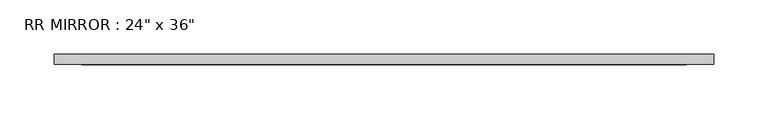
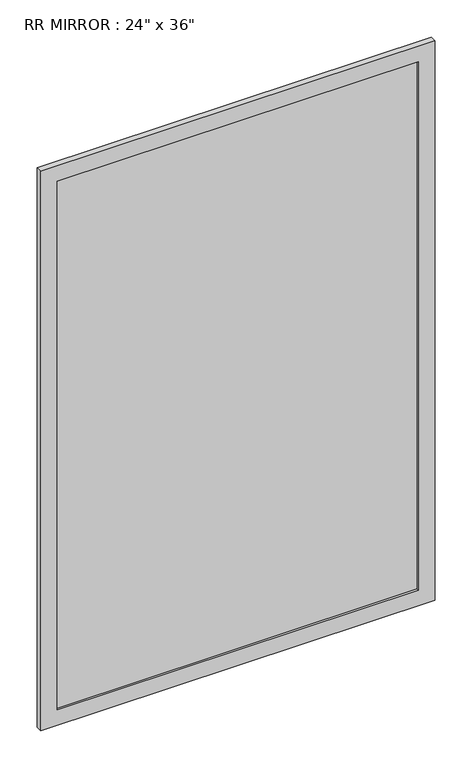
"""IFC4 building model written with IfcOpenShell, lengths in millimetres: proxy geometry."""

import ifcopenshell
import ifcopenshell.guid

model = None  # the IFC model being written
_history = None  # IfcOwnerHistory: only IFC2X3 demands one
_inside = {}  # id of a spatial element -> (the spatial element, [elements in it])
_under = {}  # id of a project, library or spatial element -> (it, [spatial elements below it])
_declared = {}  # id of a project -> (the project, [libraries it declares])
_typed = {}  # id of a type object -> (the type object, [elements of that type])
_made_of = {}  # id of a material, layer set ... -> (it, [elements and type objects made of it])


def new_model(schema):
    """Start an empty IFC model of exactly this schema.

    Asked for "IFC4X3", IfcOpenShell would pick the latest addendum, in which some entities
    have other attributes; the version numbers below select the first issue.
    IFC2X3 requires an IfcOwnerHistory on every rooted entity: one is made here for all.
    """
    global model, _history
    if schema == "IFC4X3":
        model = ifcopenshell.file(schema_version=(4, 3, 0, 0))
    else:
        model = ifcopenshell.file(schema=schema)
    _inside.clear()
    _under.clear()
    _declared.clear()
    _typed.clear()
    _made_of.clear()
    _history = None
    if model.schema == "IFC2X3":
        org = make("IfcOrganization", Name="unknown")
        user = make(
            "IfcPersonAndOrganization",
            ThePerson=make("IfcPerson", FamilyName="unknown"),
            TheOrganization=org,
        )
        app = make(
            "IfcApplication",
            ApplicationDeveloper=org,
            Version="unknown",
            ApplicationFullName="unknown",
            ApplicationIdentifier="unknown",
        )
        _history = make(
            "IfcOwnerHistory",
            OwningUser=user,
            OwningApplication=app,
            ChangeAction="ADDED",
            CreationDate=0,
        )
    return model


def make(cls, **values):
    """One entity of the class cls with the attributes given. An attribute that is None is left unset."""
    return model.create_entity(
        cls, **{name: value for name, value in values.items() if value is not None}
    )


def rooted(cls, **values):
    """An entity with a GlobalId (a new one), such as an element, a storey or a relation."""
    return make(cls, GlobalId=ifcopenshell.guid.new(), OwnerHistory=_history, **values)


def si_unit(unit_type, name, prefix=None):
    """IfcSIUnit, for example si_unit("LENGTHUNIT", "METRE", prefix="MILLI")."""
    return make("IfcSIUnit", UnitType=unit_type, Prefix=prefix, Name=name)


def assignment(units):
    """IfcUnitAssignment: the units of a project."""
    return None if units is None else make("IfcUnitAssignment", Units=units)


def point(xyz):
    """IfcCartesianPoint."""
    return None if xyz is None else make("IfcCartesianPoint", Coordinates=xyz)


def direction(xyz):
    """IfcDirection."""
    return None if xyz is None else make("IfcDirection", DirectionRatios=xyz)


def frame(location, z_axis=None, x_axis=None):
    """IfcAxis2Placement3D, a coordinate frame: its origin and axes. An axis left out is left unset."""
    return make(
        "IfcAxis2Placement3D",
        Location=point(location),
        Axis=direction(z_axis),
        RefDirection=direction(x_axis),
    )


def origin():
    """The frame at (0, 0, 0) with its axes left unset."""
    return frame((0.0, 0.0, 0.0))


def place(relative_to, where):
    """IfcLocalPlacement: puts the frame where relative to a parent placement (None: the world)."""
    return make(
        "IfcLocalPlacement", PlacementRelTo=relative_to, RelativePlacement=where
    )


def context(
    kind, dimensions, precision=None, world=None, true_north=None, identifier=None
):
    """IfcGeometricRepresentationContext, for example the 3D "Model" context."""
    return make(
        "IfcGeometricRepresentationContext",
        ContextIdentifier=identifier,
        ContextType=kind,
        CoordinateSpaceDimension=dimensions,
        Precision=precision,
        WorldCoordinateSystem=world,
        TrueNorth=true_north,
    )


def project(units=None, contexts=None):
    """IfcProject with its units and contexts."""
    return rooted(
        "IfcProject",
        Name="project",
        RepresentationContexts=contexts,
        UnitsInContext=assignment(units),
    )


def spatial(cls, under=None, at=None, **own):
    """A site, building, storey or space (cls), placed at a placement, below another one or the project."""
    s = rooted(cls, ObjectPlacement=at, **own)
    if under is not None:
        _under.setdefault(under.id(), (under, []))[1].append(s)
    return s


def polyline(points):
    """IfcPolyline through the points."""
    return make("IfcPolyline", Points=[point(p) for p in points])


def outline(outer, holes=None, kind="AREA"):
    """IfcArbitraryClosedProfileDef: a profile drawn as a closed curve; with holes, ...WithVoids."""
    if holes is None:
        return make("IfcArbitraryClosedProfileDef", ProfileType=kind, OuterCurve=outer)
    return make(
        "IfcArbitraryProfileDefWithVoids",
        ProfileType=kind,
        OuterCurve=outer,
        InnerCurves=holes,
    )


def extrude(swept, where, along, depth):
    """IfcExtrudedAreaSolid: the profile swept, set in the frame where, extruded along a direction by depth."""
    return make(
        "IfcExtrudedAreaSolid",
        SweptArea=swept,
        Position=where,
        ExtrudedDirection=direction(along),
        Depth=depth,
    )


def shape(context_of_items, identifier, shape_type, items):
    """IfcShapeRepresentation: the items that make up one representation, for example the "Body"."""
    return make(
        "IfcShapeRepresentation",
        ContextOfItems=context_of_items,
        RepresentationIdentifier=identifier,
        RepresentationType=shape_type,
        Items=items,
    )


def source(mapping_origin, context_of_items, identifier, shape_type, items):
    """IfcRepresentationMap: a shape defined once, which mapped items show again and again."""
    return make(
        "IfcRepresentationMap",
        MappingOrigin=mapping_origin,
        MappedRepresentation=shape(context_of_items, identifier, shape_type, items),
    )


def transform(
    local_origin,
    x_axis=None,
    y_axis=None,
    z_axis=None,
    scale=None,
    scale2=None,
    scale3=None,
    uniform=True,
):
    """IfcCartesianTransformationOperator3D, or its non-uniform kind. x_axis, y_axis, z_axis: its Axis1, 2, 3."""
    if uniform:
        return make(
            "IfcCartesianTransformationOperator3D",
            Axis1=direction(x_axis),
            Axis2=direction(y_axis),
            LocalOrigin=point(local_origin),
            Scale=scale,
            Axis3=direction(z_axis),
        )
    return make(
        "IfcCartesianTransformationOperator3DnonUniform",
        Axis1=direction(x_axis),
        Axis2=direction(y_axis),
        LocalOrigin=point(local_origin),
        Scale=scale,
        Axis3=direction(z_axis),
        Scale2=scale2,
        Scale3=scale3,
    )


def mapped(mapping_source, mapping_target):
    """IfcMappedItem: shows the shape of a source again, moved by a transform."""
    return make(
        "IfcMappedItem", MappingSource=mapping_source, MappingTarget=mapping_target
    )


def made_of(thing, what):
    """Note that an element or type object is made of a material, layer set ...; save() writes the relation."""
    if what is not None:
        _made_of.setdefault(what.id(), (what, []))[1].append(thing)
    return thing


def element(
    cls,
    number,
    at=None,
    inside=None,
    cuts=None,
    type_object=None,
    material=None,
    context=None,
    identifier="Body",
    shape_type=None,
    held_by="IfcProductDefinitionShape",
    body=None,
    shapes=None,
    **own,
):
    """One element of the class cls, such as IfcWall. Its Tag is "e" and its number.

    at: its placement. inside: the storey or other place that contains it. cuts: it is an
    opening in that element (IfcRelVoidsElement). A single representation is given by context,
    identifier, shape_type and body (its items); several are given by shapes. held_by: the class
    of the entity that holds the representations. save() writes the other relations.
    """
    e = rooted(cls, Tag="e%d" % number, ObjectPlacement=at, **own)
    if body is not None:
        shapes = [shape(context, identifier, shape_type, body)]
    if shapes is not None:
        e.Representation = make(held_by, Representations=shapes)
    if inside is not None:
        _inside.setdefault(inside.id(), (inside, []))[1].append(e)
    if cuts is not None:
        rooted(
            "IfcRelVoidsElement", RelatingBuildingElement=cuts, RelatedOpeningElement=e
        )
    if type_object is not None:
        _typed.setdefault(type_object.id(), (type_object, []))[1].append(e)
    return made_of(e, material)


def aggregate(whole, parts):
    """IfcRelAggregates: a whole, such as a stair, and the parts it consists of."""
    return rooted("IfcRelAggregates", RelatingObject=whole, RelatedObjects=parts)


def save(model, path):
    """Write the relations noted so far, then the file.

    IfcRelAggregates (storeys below a building ...), IfcRelContainedInSpatialStructure (elements
    in a storey), IfcRelDefinesByType, IfcRelAssociatesMaterial and IfcRelDeclares: one each for
    every whole, place, type object, material and project.
    """
    for whole, parts in _under.values():
        aggregate(whole, parts)
    for where, things in _inside.values():
        rooted(
            "IfcRelContainedInSpatialStructure",
            RelatedElements=things,
            RelatingStructure=where,
        )
    for kind, things in _typed.values():
        rooted("IfcRelDefinesByType", RelatedObjects=things, RelatingType=kind)
    for what, things in _made_of.values():
        rooted("IfcRelAssociatesMaterial", RelatedObjects=things, RelatingMaterial=what)
    for by, libraries in _declared.values():
        rooted("IfcRelDeclares", RelatingContext=by, RelatedDefinitions=libraries)
    model.write(path)


def proxy_97fc7f38(model_context):
    return source(origin(), model_context, "Body", "SweptSolid", [
        extrude(outline(polyline([(279.4, -61.9125), (279.4, -68.2625), (-279.4, -68.2625), (-279.4, -61.9125), (279.4, -61.9125)])), frame((0.0, 0.0, 939.8), z_axis=(0.0, 0.0, 1.0), x_axis=(1.0, 0.0, 0.0)), (0.0, 0.0, 1.0), 863.6),
        extrude(outline(polyline([(1828.8, -304.8), (914.4, -304.8), (914.4, 304.8), (1828.8, 304.8), (1828.8, -304.8)]), holes=[polyline([(1803.4, -279.4), (1803.4, 279.4), (939.8, 279.4), (939.8, -279.4), (1803.4, -279.4)])]), frame((0.0, -71.4375, 0.0), z_axis=(0.0, 1.0, 0.0), x_axis=(0.0, 0.0, 1.0)), (0.0, 0.0, 1.0), 9.525),
    ])


if __name__ == "__main__":
    model = new_model("IFC4")
    model_context = context("Model", 3, world=origin())
    ifc_project = project(units=[si_unit("LENGTHUNIT", "METRE", prefix="MILLI")], contexts=[model_context])
    site = spatial("IfcSite", under=ifc_project)
    building = spatial("IfcBuilding", under=site)
    placement = place(None, origin())
    proxy_shape = proxy_97fc7f38(model_context)
    element("IfcBuildingElementProxy", 1, Name="RR MIRROR : 24\" x 36\"", ObjectType="RR MIRROR : 24\" x 36\"", at=placement, inside=building, context=model_context, shape_type="MappedRepresentation", body=[
        mapped(proxy_shape, transform((0.0, 0.0, 0.0), x_axis=(1.0, 0.0, 0.0), y_axis=(0.0, 1.0, 0.0), z_axis=(0.0, 0.0, 1.0))),
    ])
    save(model, "model.ifc")
